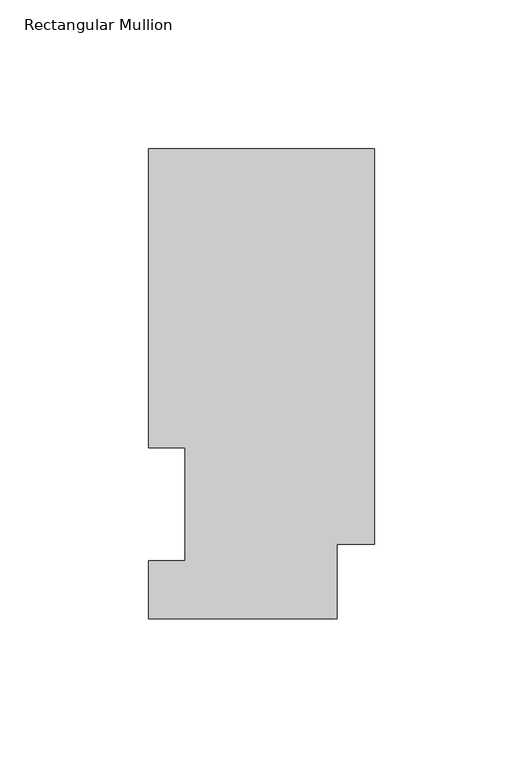
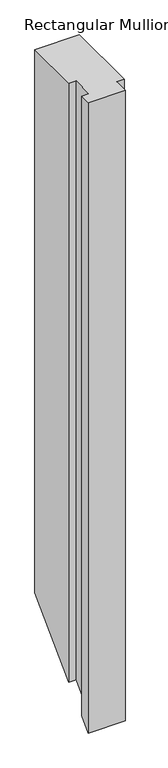
"""IFC4 building model written with IfcOpenShell, lengths in millimetres: member geometry, Rectangular Mullion."""

from ifc_helpers import new_model, si_unit, origin, place, context, project, spatial, faceted_brep, source, transform, mapped, element, save


def rectangular_mullion_54e9cc4a(model_context):
    return source(origin(), model_context, "Body", "Brep", [
        faceted_brep([(0.0, 25.0832937, 0.0), (0.0, 158.3316937, 0.0), (-76.2, 158.3316937, 0.0), (-76.2, 57.6460937, 0.0), (-63.8581605, 57.6460938, 0.0), (-63.8581605, 19.5460937, 0.0), (-76.2, 19.5460937, 0.0), (-76.2, 0.0134938, 0.0), (-12.7, 0.0134938, 0.0), (-12.7, 25.0832937, 0.0), (0.0, 25.0832937, -1117.9302), (0.0, 158.3316937, -984.6818), (-76.2, 158.3316937, -984.6818), (-76.2, 57.6460937, -1085.3674), (-63.8581605, 57.6460938, -1085.3674), (-63.8581605, 19.5460937, -1123.4674), (-76.2, 19.5460937, -1123.4674), (-76.2, 0.0134938, -1143.0), (-12.7, 0.0134938, -1143.0), (-12.7, 25.0832937, -1117.9302)], [[[0, 1, 2, 3, 4, 5, 6, 7, 8, 9]], [[1, 0, 10, 11]], [[2, 1, 11, 12]], [[3, 2, 12, 13]], [[4, 3, 13, 14]], [[5, 4, 14, 15]], [[6, 5, 15, 16]], [[7, 6, 16, 17]], [[8, 7, 17, 18]], [[9, 8, 18, 19]], [[0, 9, 19, 10]], [[10, 19, 18, 17, 16, 15, 14, 13, 12, 11]]]),
    ])


if __name__ == "__main__":
    model = new_model("IFC4")
    model_context = context("Model", 3, world=origin())
    ifc_project = project(units=[si_unit("LENGTHUNIT", "METRE", prefix="MILLI")], contexts=[model_context])
    site = spatial("IfcSite", under=ifc_project)
    building = spatial("IfcBuilding", under=site)
    placement = place(None, origin())
    rectangular_mullion_shape = rectangular_mullion_54e9cc4a(model_context)
    element("IfcMember", 1, ObjectType="Rectangular Mullion", at=placement, inside=building, context=model_context, shape_type="MappedRepresentation", body=[
        mapped(rectangular_mullion_shape, transform((0.0, 0.0, 0.0), x_axis=(1.0, 0.0, 0.0), y_axis=(0.0, 1.0, 0.0), z_axis=(0.0, 0.0, 1.0))),
    ])
    save(model, "model.ifc")
